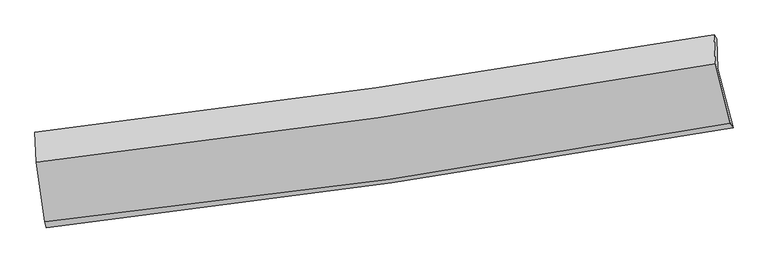
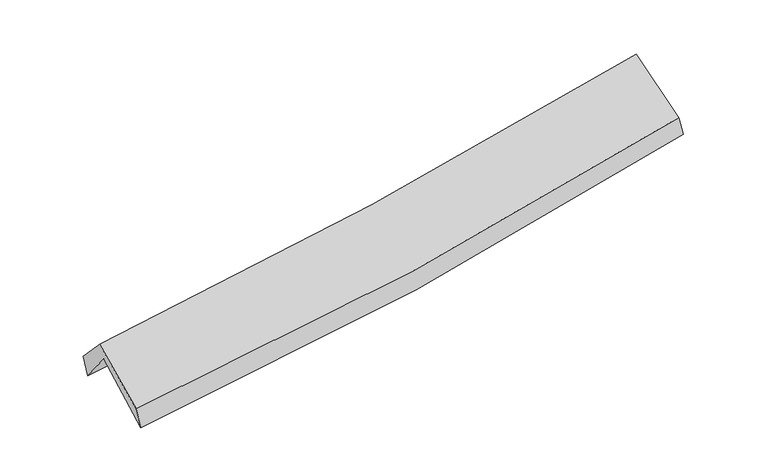
"""IFC4 building model written with IfcOpenShell, lengths in millimetres: proxy geometry."""

from ifc_helpers import new_model, si_unit, frame, origin, place, context, project, spatial, source, transform, mapped, element, save
from ifc_brep_helpers import plane_surface, spline_curve, spline_surface, advanced_brep


def generic_models_2a90a120(model_context):
    return source(origin(), model_context, "Body", "AdvancedBrep", [
        advanced_brep(
        [(-2858.2620759, -2509.1680769, 1477.6420935), (-2931.0084001, -2001.0119598, 1913.6551762), (2862.0389695, -1152.4228112, 2397.2995146), (2991.3894137, -1657.6320705, 1975.523274), (-2940.0464853, -1748.5134694, 1588.0420699), (2852.2082476, -897.7425519, 2083.1659462), (-2954.2928776, -1693.0110454, 1761.7007936), (2828.8371785, -865.6777214, 2254.1557823), (-2942.3722375, -1950.0636135, 2038.787249), (2840.7141671, -1111.1958643, 2534.1594901), (-2872.0333074, -2456.4393732, 1647.3589945), (2968.1835058, -1618.6021607, 2133.7935853)],
        [
            (0, 1),
            (1, 2, spline_curve(3, [(-2931.0084001, -2001.0119598, 1913.6551762), (-1957.525606383, -1875.385464409, 1953.027094914), (-987.024606709, -1741.691353115, 2013.144622467), (943.966286972, -1458.760944522, 2174.532612814), (1904.481077502, -1309.592006315, 2275.629864796), (2862.0389695, -1152.4228112, 2397.2995146)], [4, 2, 4], [0.0, 9.708284113064845, 19.375954629552027])),
            (2, 3),
            (3, 0, spline_curve(3, [(2991.3894137, -1657.6320705, 1975.523274), (2026.561405438, -1827.419043513, 1845.217842482), (1057.706680819, -1983.154637813, 1738.612213933), (-892.143245441, -2267.118280167, 1572.452277957), (-1873.172351211, -2395.228021386, 1513.097513065), (-2858.2620759, -2509.1680769, 1477.6420935)], [4, 2, 4], [0.0, 9.667670516487181, 19.375954629552027])),
            (1, 4),
            (4, 5, spline_curve(3, [(-2940.0464853, -1748.5134694, 1588.0420699), (-1964.931606381, -1628.138773788, 1617.944082393), (-993.682605207, -1496.88248109, 1674.297224165), (937.036695153, -1213.201321782, 1839.559364778), (1896.539271642, -1060.867308434, 1948.247514562), (2852.2082476, -897.7425519, 2083.1659462)], [4, 2, 4], [0.0, 9.661615429899628, 19.2828124968024])),
            (5, 2),
            (4, 6),
            (6, 7, spline_curve(3, [(-2954.2928776, -1693.0110454, 1761.7007936), (-1982.67907705, -1580.76327079, 1820.597893255), (-1013.940526668, -1455.523250724, 1891.194850042), (913.745485835, -1179.637000177, 2055.444198597), (1872.716953891, -1029.099245348, 2148.998904346), (2828.8371785, -865.6777214, 2254.1557823)], [4, 2, 4], [0.0, 9.650850797655426, 19.261328265033082])),
            (7, 5),
            (6, 8),
            (8, 9, spline_curve(3, [(-2942.3722375, -1950.0636135, 2038.787249), (-1970.182087839, -1837.221106097, 2094.928477016), (-1001.159619899, -1710.719106824, 2164.394511151), (926.509400682, -1430.982476989, 2329.629844183), (1885.182400511, -1277.861892896, 2425.287890631), (2840.7141671, -1111.1958643, 2534.1594901)], [4, 2, 4], [0.0, 9.641036936162925, 19.24174159731664])),
            (9, 7),
            (8, 10),
            (10, 11, spline_curve(3, [(-2872.0333074, -2456.4393732, 1647.3589945), (-1888.220258939, -2354.763245141, 1691.304396819), (-908.617675816, -2233.918971363, 1753.937369701), (1038.086107569, -1954.479860227, 1916.238261264), (2005.222462223, -1796.045062929, 2015.750151808), (2968.1835058, -1618.6021607, 2133.7935853)], [4, 2, 4], [0.0, 9.689273033205152, 19.3380120007074])),
            (11, 9),
            (10, 0),
            (3, 11),
        ],
        [
            spline_surface(3, 3, [[(-2858.2620759, -2509.1680769, 1477.6420935), (-1873.172351125, -2395.228021297, 1513.097512925), (-892.143245599, -2267.118280137, 1572.452277886), (1057.706680976, -1983.154637843, 1738.612214004), (2026.561405316, -1827.419043531, 1845.217842495), (2991.3894137, -1657.6320705, 1975.523274)], [(-2882.510850626, -2339.782704526, 1622.979787733), (-1901.290102844, -2221.947168952, 1659.740706879), (-923.770366038, -2091.97597111, 1719.349726043), (1019.793216337, -1808.356740116, 1883.919013661), (1985.867962723, -1654.810031133, 1988.688516606), (2948.272598952, -1489.228984066, 2116.115354201)], [(-2906.759625374, -2170.397332174, 1768.317481967), (-1929.407854585, -2048.666316631, 1806.383900833), (-955.397486417, -1916.833662043, 1866.247174174), (981.879751758, -1633.558842347, 2029.225813293), (1945.174520174, -1482.201018736, 2132.159190714), (2905.155784248, -1320.825897634, 2256.707434399)], [(-2931.0084001, -2001.0119598, 1913.6551762), (-1957.525606304, -1875.385464286, 1953.027094787), (-987.024606856, -1741.691353016, 2013.14462233), (943.966287119, -1458.76094462, 2174.532612951), (1904.481077581, -1309.592006337, 2275.629864825), (2862.0389695, -1152.4228112, 2397.2995146)]], [4, 4], [4, 2, 4], [0.0, 2.2695415792682234], [0.0, 9.708284113064845, 19.375954629552027]),
            spline_surface(3, 3, [[(-2931.0084001, -2001.0119598, 1913.6551762), (-1957.525606304, -1875.385464286, 1953.027094787), (-987.024606856, -1741.691353016, 2013.14462233), (943.966287119, -1458.76094462, 2174.532612951), (1904.481077581, -1309.592006337, 2275.629864825), (2862.0389695, -1152.4228112, 2397.2995146)], [(-2934.021095196, -1916.845796344, 1805.117474103), (-1959.994273022, -1792.969900747, 1841.332757298), (-989.243939631, -1660.088395711, 1900.195489664), (941.656423122, -1376.907736964, 2062.87486351), (1901.833808908, -1226.683773678, 2166.502414771), (2858.762062205, -1067.529391438, 2292.588325129)], [(-2937.033790204, -1832.679632856, 1696.579771997), (-1962.462939651, -1710.554337175, 1729.6384198), (-991.463272406, -1578.485438466, 1787.246356989), (939.346559124, -1295.054529368, 1951.217114062), (1899.18654022, -1143.775541005, 2057.37496473), (2855.485154895, -982.635971662, 2187.877135671)], [(-2940.0464853, -1748.5134694, 1588.0420699), (-1964.931606369, -1628.138773635, 1617.944082312), (-993.682605181, -1496.882481161, 1674.297224322), (937.036695126, -1213.201321712, 1839.559364622), (1896.539271546, -1060.867308346, 1948.247514676), (2852.2082476, -897.7425519, 2083.1659462)]], [4, 4], [4, 2, 4], [0.0, 1.367266938001284], [0.0, 9.661615429899628, 19.2828124968024]),
            spline_surface(3, 3, [[(-2940.0464853, -1748.5134694, 1588.0420699), (-1964.931606369, -1628.138773635, 1617.944082312), (-993.682605181, -1496.882481161, 1674.297224322), (937.036695126, -1213.201321712, 1839.559364622), (1896.539271546, -1060.867308346, 1948.247514676), (2852.2082476, -897.7425519, 2083.1659462)], [(-2944.795282731, -1730.012661385, 1645.928311158), (-1970.847429945, -1612.34693937, 1685.495352608), (-1000.435245655, -1483.096071065, 1746.596432905), (929.272958687, -1202.01321454, 1911.520975903), (1888.598499028, -1050.277954068, 2015.164644593), (2844.417891236, -887.054275077, 2140.162558222)], [(-2949.544080169, -1711.511853415, 1703.814552342), (-1976.763253528, -1596.555105149, 1753.046622831), (-1007.187886149, -1469.309660886, 1818.895641539), (921.509222229, -1190.825107284, 1983.482587236), (1880.657726503, -1039.688599759, 2082.081774544), (2836.627534864, -876.365998223, 2197.159170278)], [(-2954.2928776, -1693.0110454, 1761.7007936), (-1982.679077104, -1580.763270883, 1820.597893127), (-1013.940526623, -1455.52325079, 1891.194850121), (913.74548579, -1179.637000112, 2055.444198518), (1872.716953985, -1029.099245481, 2148.998904461), (2828.8371785, -865.6777214, 2254.1557823)]], [4, 4], [4, 2, 4], [0.0, 0.7240514451990592], [0.0, 9.650850797655426, 19.261328265033082]),
            spline_surface(3, 3, [[(-2954.2928776, -1693.0110454, 1761.7007936), (-1982.679077104, -1580.763270883, 1820.597893127), (-1013.940526623, -1455.52325079, 1891.194850121), (913.74548579, -1179.637000112, 2055.444198518), (1872.716953985, -1029.099245481, 2148.998904461), (2828.8371785, -865.6777214, 2254.1557823)], [(-2950.319330893, -1778.695234798, 1854.062945385), (-1978.513414023, -1666.249215942, 1912.041421104), (-1009.680224332, -1540.588536164, 1982.261403808), (918.00012405, -1263.418825666, 2146.839413756), (1876.872102868, -1112.02012791, 2241.095233152), (2832.796174709, -947.517102369, 2347.490351572)], [(-2946.345784207, -1864.379424102, 1946.425097215), (-1974.347750965, -1751.735160906, 2003.484949126), (-1005.419922059, -1625.653821602, 2073.327957454), (922.254762291, -1347.200651283, 2238.234628955), (1881.027251725, -1194.941010332, 2333.191561827), (2836.755170891, -1029.356483331, 2440.824920828)], [(-2942.3722375, -1950.0636135, 2038.787249), (-1970.182087884, -1837.221105964, 2094.928477103), (-1001.159619768, -1710.719106977, 2164.394511141), (926.509400551, -1430.982476837, 2329.629844193), (1885.182400607, -1277.861892761, 2425.287890518), (2840.7141671, -1111.1958643, 2534.1594901)]], [4, 4], [4, 2, 4], [0.0, 1.2241525389432812], [0.0, 9.641036936162925, 19.24174159731664]),
            spline_surface(3, 3, [[(-2942.3722375, -1950.0636135, 2038.787249), (-1970.182087884, -1837.221105964, 2094.928477103), (-1001.159619768, -1710.719106977, 2164.394511141), (926.509400551, -1430.982476837, 2329.629844193), (1885.182400607, -1277.861892761, 2425.287890518), (2840.7141671, -1111.1958643, 2534.1594901)], [(-2918.925927454, -2118.855533373, 1908.311164156), (-1942.861478181, -2009.735152322, 1960.38711696), (-970.312305117, -1885.119061786, 2027.57546399), (963.701636203, -1605.481604611, 2191.832649884), (1925.195754482, -1450.589616165, 2288.775310963), (2883.203946657, -1280.331296422, 2400.704188495)], [(-2895.479617446, -2287.647453327, 1777.835079344), (-1915.540868516, -2182.24919876, 1825.84575685), (-939.464990436, -2059.519016609, 1890.756416845), (1000.893871885, -1779.980732398, 2054.035455581), (1965.209108385, -1623.317339605, 2152.262731423), (2925.693726243, -1449.466728578, 2267.248886905)], [(-2872.0333074, -2456.4393732, 1647.3589945), (-1888.220258813, -2354.763245118, 1691.304396707), (-908.617675784, -2233.918971419, 1753.937369694), (1038.086107537, -1954.479860171, 1916.238261271), (2005.222462259, -1796.045063009, 2015.750151868), (2968.1835058, -1618.6021607, 2133.7935853)]], [4, 4], [4, 2, 4], [0.0, 2.2105596319794723], [0.0, 9.689273033205152, 19.3380120007074]),
            spline_surface(3, 3, [[(-2872.0333074, -2456.4393732, 1647.3589945), (-1888.220258813, -2354.763245118, 1691.304396707), (-908.617675784, -2233.918971419, 1753.937369694), (1038.086107537, -1954.479860171, 1916.238261271), (2005.222462259, -1796.045063009, 2015.750151868), (2968.1835058, -1618.6021607, 2133.7935853)], [(-2867.4428969, -2474.015607773, 1590.786694165), (-1883.204289584, -2368.251503851, 1631.902102111), (-903.126199038, -2244.985407662, 1693.442339086), (1044.626298701, -1964.038119399, 1857.029578843), (2012.335443287, -1806.503056512, 1958.906048758), (2975.918808442, -1631.612130629, 2081.036814881)], [(-2862.8524864, -2491.591842327, 1534.214393835), (-1878.188320354, -2381.739762564, 1572.499807521), (-897.634722345, -2256.051843894, 1632.947308494), (1051.166489812, -1973.596378615, 1797.820896431), (2019.448424288, -1816.961050028, 1902.061945605), (2983.654111058, -1644.622100571, 2028.280044419)], [(-2858.2620759, -2509.1680769, 1477.6420935), (-1873.172351125, -2395.228021297, 1513.097512925), (-892.143245599, -2267.118280137, 1572.452277886), (1057.706680976, -1983.154637843, 1738.612214004), (2026.561405316, -1827.419043531, 1845.217842495), (2991.3894137, -1657.6320705, 1975.523274)]], [4, 4], [4, 2, 4], [0.0, 0.6007275084077357], [0.0, 9.746096982291057, 19.451422181799934]),
            plane_surface(frame((2890.5619137, -1217.2121967, 2229.6829321), z_axis=(0.9808798362824498, 0.16505064306442763, 0.10311659419576097), x_axis=(0.1934905001593381, -0.7702110883390214, -0.6077304548463154))),
            plane_surface(frame((-2916.3358973, -2059.7012564, 1737.8643961), z_axis=(-0.9937825589042298, -0.09963931550069627, -0.04968130860106201), x_axis=(-0.07725707687570454, 0.2958098204072559, 0.952117584242224))),
        ],
        [
            (0, [[1, 2, 3, 4]]),
            (1, [[5, 6, 7, -2]]),
            (2, [[8, 9, 10, -6]]),
            (3, [[11, 12, 13, -9]]),
            (4, [[14, 15, 16, -12]]),
            (5, [[17, -4, 18, -15]]),
            (6, [[-16, -18, -3, -7, -10, -13]]),
            (7, [[-17, -14, -11, -8, -5, -1]]),
        ],
    ),
    ])


if __name__ == "__main__":
    model = new_model("IFC4")
    model_context = context("Model", 3, world=origin())
    ifc_project = project(units=[si_unit("LENGTHUNIT", "METRE", prefix="MILLI")], contexts=[model_context])
    site = spatial("IfcSite", under=ifc_project)
    building = spatial("IfcBuilding", under=site)
    placement = place(None, origin())
    generic_models_shape = generic_models_2a90a120(model_context)
    element("IfcBuildingElementProxy", 1, Name="Generic Models", at=placement, inside=building, context=model_context, shape_type="MappedRepresentation", body=[
        mapped(generic_models_shape, transform((0.0, 0.0, 0.0), x_axis=(1.0, 0.0, 0.0), y_axis=(0.0, 1.0, 0.0), z_axis=(0.0, 0.0, 1.0))),
    ])
    save(model, "model.ifc")
